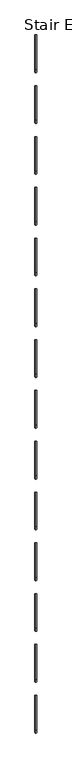
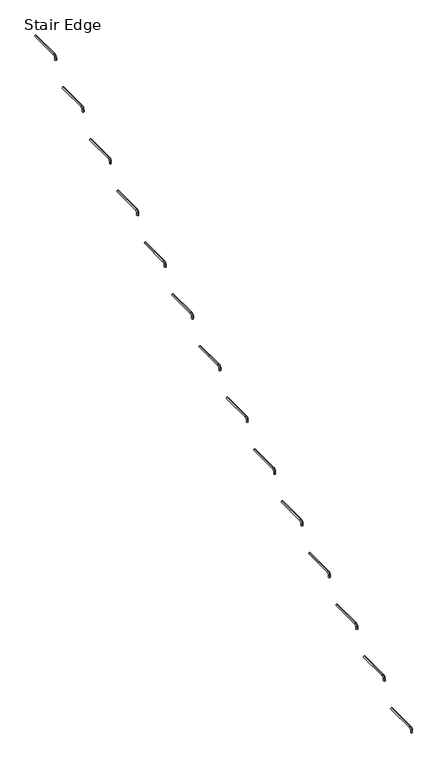
"""IFC4 building model written with IfcOpenShell, lengths in millimetres: railing geometry, Stair Edge."""

from ifc_helpers import new_model, si_unit, point, frame, origin, place, context, project, spatial, circle_curve, ellipse_curve, trimmed, source, transform, mapped, element, save
from ifc_brep_helpers import plane_surface, cylinder_surface, revolved_surface, advanced_brep


def stair_edge_cac31e52(model_context):
    return source(origin(), model_context, "Body", "AdvancedBrep", [
        advanced_brep(
        [(-2569.8305358, 2001.2483657, 2743.2), (-2569.8305358, 1991.7233657, 2743.2), (-2569.8305358, 2001.2483657, 2755.9), (-2569.8305358, 1991.7233657, 2755.9), (-2569.8305358, 2009.1858657, 2773.3625), (-2569.8305358, 2009.1858657, 2763.8375), (-2569.8305358, 2199.6858657, 2763.8375), (-2569.8305358, 2199.6858657, 2773.3625)],
        [
            (0, 1, circle_curve(frame((-2569.8305358, 1996.4858657, 2743.2), z_axis=(0.0, 0.0, -1.0), x_axis=(0.0, -1.0, 0.0)), 4.7625)),
            (1, 0, circle_curve(frame((-2569.8305358, 1996.4858657, 2743.2), z_axis=(0.0, 0.0, -1.0), x_axis=(0.0, -1.0, 0.0)), 4.7625)),
            (0, 2),
            (2, 3, circle_curve(frame((-2569.8305358, 1996.4858657, 2755.9), z_axis=(0.0, 0.0, -1.0), x_axis=(0.0, -1.0, 0.0)), 4.7625)),
            (3, 1),
            (3, 2, circle_curve(frame((-2569.8305358, 1996.4858657, 2755.9), z_axis=(0.0, 0.0, -1.0), x_axis=(0.0, -1.0, 0.0)), 4.7625)),
            (4, 3, circle_curve(frame((-2569.8305358, 2009.1858657, 2755.9), z_axis=(1.0, 0.0, 0.0), x_axis=(0.0, -1.0, 0.0)), 17.4625)),
            (2, 5, circle_curve(frame((-2569.8305358, 2009.1858657, 2755.9), z_axis=(-1.0, 0.0, 0.0), x_axis=(0.0, -1.0, 0.0)), 7.9375)),
            (5, 4, circle_curve(frame((-2569.8305358, 2009.1858657, 2768.6), z_axis=(0.0, -1.0, 0.0), x_axis=(0.0, 0.0, 1.0)), 4.7625)),
            (4, 5, circle_curve(frame((-2569.8305358, 2009.1858657, 2768.6), z_axis=(0.0, -1.0, 0.0), x_axis=(0.0, 0.0, 1.0)), 4.7625)),
            (6, 7, circle_curve(frame((-2569.8305358, 2199.6858657, 2768.6), z_axis=(0.0, 1.0, 0.0), x_axis=(0.0, 0.0, 1.0)), 4.7625)),
            (7, 6, circle_curve(frame((-2569.8305358, 2199.6858657, 2768.6), z_axis=(0.0, 1.0, 0.0), x_axis=(0.0, 0.0, 1.0)), 4.7625)),
            (5, 6),
            (7, 4),
        ],
        [
            plane_surface(frame((-2569.8305358, 1996.4858657, 2743.2), z_axis=(0.0, 0.0, -1.0), x_axis=(1.0, 0.0, 0.0))),
            cylinder_surface(frame((-2569.8305358, 1996.4858657, 2743.2), z_axis=(0.0, 0.0, -1.0), x_axis=(0.0, -1.0, 0.0)), 4.7625),
            revolved_surface(trimmed(ellipse_curve(frame((-2569.8305358, 1996.4858657, 2755.9), z_axis=(0.0, 0.0, -1.0), x_axis=(0.0, -1.0, 0.0)), 4.7625, 4.7625), [point((-2569.8305358, 2001.2483657, 2755.9))], [point((-2569.8305358, 1991.7233657, 2755.9))], True, "CARTESIAN"), (-2569.8305358, 2009.1858657, 2755.9), (-1.0, 0.0, 0.0)),
            revolved_surface(trimmed(ellipse_curve(frame((-2569.8305358, 1996.4858657, 2755.9), z_axis=(0.0, 0.0, -1.0), x_axis=(0.0, -1.0, 0.0)), 4.7625, 4.7625), [point((-2569.8305358, 1991.7233657, 2755.9))], [point((-2569.8305358, 2001.2483657, 2755.9))], True, "CARTESIAN"), (-2569.8305358, 2009.1858657, 2755.9), (-1.0, 0.0, 0.0)),
            plane_surface(frame((-2569.8305358, 2199.6858657, 2768.6), z_axis=(0.0, 1.0, 0.0), x_axis=(1.0, 0.0, 0.0))),
            cylinder_surface(frame((-2569.8305358, 2009.1858657, 2768.6), z_axis=(0.0, -1.0, 0.0), x_axis=(0.0, 0.0, 1.0)), 4.7625),
        ],
        [
            (0, [[1, 2]]),
            (1, [[-1, 3, 4, 5]]),
            (1, [[-2, -5, 6, -3]]),
            (2, [[7, -4, 8, 9]]),
            (3, [[-8, -6, -7, 10]]),
            (4, [[11, 12]]),
            (5, [[-9, 13, -12, 14]]),
            (5, [[-10, -14, -11, -13]]),
        ],
    ),
        advanced_brep(
        [(-2569.8305358, 1721.8483657, 2590.8), (-2569.8305358, 1712.3233657, 2590.8), (-2569.8305358, 1721.8483657, 2603.5), (-2569.8305358, 1712.3233657, 2603.5), (-2569.8305358, 1729.7858657, 2620.9625), (-2569.8305358, 1729.7858657, 2611.4375), (-2569.8305358, 1920.2858657, 2611.4375), (-2569.8305358, 1920.2858657, 2620.9625)],
        [
            (0, 1, circle_curve(frame((-2569.8305358, 1717.0858657, 2590.8), z_axis=(0.0, 0.0, -1.0), x_axis=(0.0, -1.0, 0.0)), 4.7625)),
            (1, 0, circle_curve(frame((-2569.8305358, 1717.0858657, 2590.8), z_axis=(0.0, 0.0, -1.0), x_axis=(0.0, -1.0, 0.0)), 4.7625)),
            (0, 2),
            (2, 3, circle_curve(frame((-2569.8305358, 1717.0858657, 2603.5), z_axis=(0.0, 0.0, -1.0), x_axis=(0.0, -1.0, 0.0)), 4.7625)),
            (3, 1),
            (3, 2, circle_curve(frame((-2569.8305358, 1717.0858657, 2603.5), z_axis=(0.0, 0.0, -1.0), x_axis=(0.0, -1.0, 0.0)), 4.7625)),
            (4, 3, circle_curve(frame((-2569.8305358, 1729.7858657, 2603.5), z_axis=(1.0, 0.0, 0.0), x_axis=(0.0, -1.0, 0.0)), 17.4625)),
            (2, 5, circle_curve(frame((-2569.8305358, 1729.7858657, 2603.5), z_axis=(-1.0, 0.0, 0.0), x_axis=(0.0, -1.0, 0.0)), 7.9375)),
            (5, 4, circle_curve(frame((-2569.8305358, 1729.7858657, 2616.2), z_axis=(0.0, -1.0, 0.0), x_axis=(0.0, 0.0, 1.0)), 4.7625)),
            (4, 5, circle_curve(frame((-2569.8305358, 1729.7858657, 2616.2), z_axis=(0.0, -1.0, 0.0), x_axis=(0.0, 0.0, 1.0)), 4.7625)),
            (6, 7, circle_curve(frame((-2569.8305358, 1920.2858657, 2616.2), z_axis=(0.0, 1.0, 0.0), x_axis=(0.0, 0.0, 1.0)), 4.7625)),
            (7, 6, circle_curve(frame((-2569.8305358, 1920.2858657, 2616.2), z_axis=(0.0, 1.0, 0.0), x_axis=(0.0, 0.0, 1.0)), 4.7625)),
            (5, 6),
            (7, 4),
        ],
        [
            plane_surface(frame((-2569.8305358, 1717.0858657, 2590.8), z_axis=(0.0, 0.0, -1.0), x_axis=(1.0, 0.0, 0.0))),
            cylinder_surface(frame((-2569.8305358, 1717.0858657, 2590.8), z_axis=(0.0, 0.0, -1.0), x_axis=(0.0, -1.0, 0.0)), 4.7625),
            revolved_surface(trimmed(ellipse_curve(frame((-2569.8305358, 1717.0858657, 2603.5), z_axis=(0.0, 0.0, -1.0), x_axis=(0.0, -1.0, 0.0)), 4.7625, 4.7625), [point((-2569.8305358, 1721.8483657, 2603.5))], [point((-2569.8305358, 1712.3233657, 2603.5))], True, "CARTESIAN"), (-2569.8305358, 1729.7858657, 2603.5), (-1.0, 0.0, 0.0)),
            revolved_surface(trimmed(ellipse_curve(frame((-2569.8305358, 1717.0858657, 2603.5), z_axis=(0.0, 0.0, -1.0), x_axis=(0.0, -1.0, 0.0)), 4.7625, 4.7625), [point((-2569.8305358, 1712.3233657, 2603.5))], [point((-2569.8305358, 1721.8483657, 2603.5))], True, "CARTESIAN"), (-2569.8305358, 1729.7858657, 2603.5), (-1.0, 0.0, 0.0)),
            plane_surface(frame((-2569.8305358, 1920.2858657, 2616.2), z_axis=(0.0, 1.0, 0.0), x_axis=(1.0, 0.0, 0.0))),
            cylinder_surface(frame((-2569.8305358, 1729.7858657, 2616.2), z_axis=(0.0, -1.0, 0.0), x_axis=(0.0, 0.0, 1.0)), 4.7625),
        ],
        [
            (0, [[1, 2]]),
            (1, [[-1, 3, 4, 5]]),
            (1, [[-2, -5, 6, -3]]),
            (2, [[7, -4, 8, 9]]),
            (3, [[-8, -6, -7, 10]]),
            (4, [[11, 12]]),
            (5, [[-9, 13, -12, 14]]),
            (5, [[-10, -14, -11, -13]]),
        ],
    ),
        advanced_brep(
        [(-2569.8305358, 1442.4483657, 2438.4), (-2569.8305358, 1432.9233657, 2438.4), (-2569.8305358, 1442.4483657, 2451.1), (-2569.8305358, 1432.9233657, 2451.1), (-2569.8305358, 1450.3858657, 2468.5625), (-2569.8305358, 1450.3858657, 2459.0375), (-2569.8305358, 1640.8858657, 2459.0375), (-2569.8305358, 1640.8858657, 2468.5625)],
        [
            (0, 1, circle_curve(frame((-2569.8305358, 1437.6858657, 2438.4), z_axis=(0.0, 0.0, -1.0), x_axis=(0.0, -1.0, 0.0)), 4.7625)),
            (1, 0, circle_curve(frame((-2569.8305358, 1437.6858657, 2438.4), z_axis=(0.0, 0.0, -1.0), x_axis=(0.0, -1.0, 0.0)), 4.7625)),
            (0, 2),
            (2, 3, circle_curve(frame((-2569.8305358, 1437.6858657, 2451.1), z_axis=(0.0, 0.0, -1.0), x_axis=(0.0, -1.0, 0.0)), 4.7625)),
            (3, 1),
            (3, 2, circle_curve(frame((-2569.8305358, 1437.6858657, 2451.1), z_axis=(0.0, 0.0, -1.0), x_axis=(0.0, -1.0, 0.0)), 4.7625)),
            (4, 3, circle_curve(frame((-2569.8305358, 1450.3858657, 2451.1), z_axis=(1.0, 0.0, 0.0), x_axis=(0.0, -1.0, 0.0)), 17.4625)),
            (2, 5, circle_curve(frame((-2569.8305358, 1450.3858657, 2451.1), z_axis=(-1.0, 0.0, 0.0), x_axis=(0.0, -1.0, 0.0)), 7.9375)),
            (5, 4, circle_curve(frame((-2569.8305358, 1450.3858657, 2463.8), z_axis=(0.0, -1.0, 0.0), x_axis=(0.0, 0.0, 1.0)), 4.7625)),
            (4, 5, circle_curve(frame((-2569.8305358, 1450.3858657, 2463.8), z_axis=(0.0, -1.0, 0.0), x_axis=(0.0, 0.0, 1.0)), 4.7625)),
            (6, 7, circle_curve(frame((-2569.8305358, 1640.8858657, 2463.8), z_axis=(0.0, 1.0, 0.0), x_axis=(0.0, 0.0, 1.0)), 4.7625)),
            (7, 6, circle_curve(frame((-2569.8305358, 1640.8858657, 2463.8), z_axis=(0.0, 1.0, 0.0), x_axis=(0.0, 0.0, 1.0)), 4.7625)),
            (5, 6),
            (7, 4),
        ],
        [
            plane_surface(frame((-2569.8305358, 1437.6858657, 2438.4), z_axis=(0.0, 0.0, -1.0), x_axis=(1.0, 0.0, 0.0))),
            cylinder_surface(frame((-2569.8305358, 1437.6858657, 2438.4), z_axis=(0.0, 0.0, -1.0), x_axis=(0.0, -1.0, 0.0)), 4.7625),
            revolved_surface(trimmed(ellipse_curve(frame((-2569.8305358, 1437.6858657, 2451.1), z_axis=(0.0, 0.0, -1.0), x_axis=(0.0, -1.0, 0.0)), 4.7625, 4.7625), [point((-2569.8305358, 1442.4483657, 2451.1))], [point((-2569.8305358, 1432.9233657, 2451.1))], True, "CARTESIAN"), (-2569.8305358, 1450.3858657, 2451.1), (-1.0, 0.0, 0.0)),
            revolved_surface(trimmed(ellipse_curve(frame((-2569.8305358, 1437.6858657, 2451.1), z_axis=(0.0, 0.0, -1.0), x_axis=(0.0, -1.0, 0.0)), 4.7625, 4.7625), [point((-2569.8305358, 1432.9233657, 2451.1))], [point((-2569.8305358, 1442.4483657, 2451.1))], True, "CARTESIAN"), (-2569.8305358, 1450.3858657, 2451.1), (-1.0, 0.0, 0.0)),
            plane_surface(frame((-2569.8305358, 1640.8858657, 2463.8), z_axis=(0.0, 1.0, 0.0), x_axis=(1.0, 0.0, 0.0))),
            cylinder_surface(frame((-2569.8305358, 1450.3858657, 2463.8), z_axis=(0.0, -1.0, 0.0), x_axis=(0.0, 0.0, 1.0)), 4.7625),
        ],
        [
            (0, [[1, 2]]),
            (1, [[-1, 3, 4, 5]]),
            (1, [[-2, -5, 6, -3]]),
            (2, [[7, -4, 8, 9]]),
            (3, [[-8, -6, -7, 10]]),
            (4, [[11, 12]]),
            (5, [[-9, 13, -12, 14]]),
            (5, [[-10, -14, -11, -13]]),
        ],
    ),
        advanced_brep(
        [(-2569.8305358, 1163.0483657, 2286.0), (-2569.8305358, 1153.5233657, 2286.0), (-2569.8305358, 1163.0483657, 2298.7), (-2569.8305358, 1153.5233657, 2298.7), (-2569.8305358, 1170.9858657, 2316.1625), (-2569.8305358, 1170.9858657, 2306.6375), (-2569.8305358, 1361.4858657, 2306.6375), (-2569.8305358, 1361.4858657, 2316.1625)],
        [
            (0, 1, circle_curve(frame((-2569.8305358, 1158.2858657, 2286.0), z_axis=(0.0, 0.0, -1.0), x_axis=(0.0, -1.0, 0.0)), 4.7625)),
            (1, 0, circle_curve(frame((-2569.8305358, 1158.2858657, 2286.0), z_axis=(0.0, 0.0, -1.0), x_axis=(0.0, -1.0, 0.0)), 4.7625)),
            (0, 2),
            (2, 3, circle_curve(frame((-2569.8305358, 1158.2858657, 2298.7), z_axis=(0.0, 0.0, -1.0), x_axis=(0.0, -1.0, 0.0)), 4.7625)),
            (3, 1),
            (3, 2, circle_curve(frame((-2569.8305358, 1158.2858657, 2298.7), z_axis=(0.0, 0.0, -1.0), x_axis=(0.0, -1.0, 0.0)), 4.7625)),
            (4, 3, circle_curve(frame((-2569.8305358, 1170.9858657, 2298.7), z_axis=(1.0, 0.0, 0.0), x_axis=(0.0, -1.0, 0.0)), 17.4625)),
            (2, 5, circle_curve(frame((-2569.8305358, 1170.9858657, 2298.7), z_axis=(-1.0, 0.0, 0.0), x_axis=(0.0, -1.0, 0.0)), 7.9375)),
            (5, 4, circle_curve(frame((-2569.8305358, 1170.9858657, 2311.4), z_axis=(0.0, -1.0, 0.0), x_axis=(0.0, 0.0, 1.0)), 4.7625)),
            (4, 5, circle_curve(frame((-2569.8305358, 1170.9858657, 2311.4), z_axis=(0.0, -1.0, 0.0), x_axis=(0.0, 0.0, 1.0)), 4.7625)),
            (6, 7, circle_curve(frame((-2569.8305358, 1361.4858657, 2311.4), z_axis=(0.0, 1.0, 0.0), x_axis=(0.0, 0.0, 1.0)), 4.7625)),
            (7, 6, circle_curve(frame((-2569.8305358, 1361.4858657, 2311.4), z_axis=(0.0, 1.0, 0.0), x_axis=(0.0, 0.0, 1.0)), 4.7625)),
            (5, 6),
            (7, 4),
        ],
        [
            plane_surface(frame((-2569.8305358, 1158.2858657, 2286.0), z_axis=(0.0, 0.0, -1.0), x_axis=(1.0, 0.0, 0.0))),
            cylinder_surface(frame((-2569.8305358, 1158.2858657, 2286.0), z_axis=(0.0, 0.0, -1.0), x_axis=(0.0, -1.0, 0.0)), 4.7625),
            revolved_surface(trimmed(ellipse_curve(frame((-2569.8305358, 1158.2858657, 2298.7), z_axis=(0.0, 0.0, -1.0), x_axis=(0.0, -1.0, 0.0)), 4.7625, 4.7625), [point((-2569.8305358, 1163.0483657, 2298.7))], [point((-2569.8305358, 1153.5233657, 2298.7))], True, "CARTESIAN"), (-2569.8305358, 1170.9858657, 2298.7), (-1.0, 0.0, 0.0)),
            revolved_surface(trimmed(ellipse_curve(frame((-2569.8305358, 1158.2858657, 2298.7), z_axis=(0.0, 0.0, -1.0), x_axis=(0.0, -1.0, 0.0)), 4.7625, 4.7625), [point((-2569.8305358, 1153.5233657, 2298.7))], [point((-2569.8305358, 1163.0483657, 2298.7))], True, "CARTESIAN"), (-2569.8305358, 1170.9858657, 2298.7), (-1.0, 0.0, 0.0)),
            plane_surface(frame((-2569.8305358, 1361.4858657, 2311.4), z_axis=(0.0, 1.0, 0.0), x_axis=(1.0, 0.0, 0.0))),
            cylinder_surface(frame((-2569.8305358, 1170.9858657, 2311.4), z_axis=(0.0, -1.0, 0.0), x_axis=(0.0, 0.0, 1.0)), 4.7625),
        ],
        [
            (0, [[1, 2]]),
            (1, [[-1, 3, 4, 5]]),
            (1, [[-2, -5, 6, -3]]),
            (2, [[7, -4, 8, 9]]),
            (3, [[-8, -6, -7, 10]]),
            (4, [[11, 12]]),
            (5, [[-9, 13, -12, 14]]),
            (5, [[-10, -14, -11, -13]]),
        ],
    ),
        advanced_brep(
        [(-2569.8305358, 883.6483657, 2133.6), (-2569.8305358, 874.1233657, 2133.6), (-2569.8305358, 883.6483657, 2146.3), (-2569.8305358, 874.1233657, 2146.3), (-2569.8305358, 891.5858657, 2163.7625), (-2569.8305358, 891.5858657, 2154.2375), (-2569.8305358, 1082.0858657, 2154.2375), (-2569.8305358, 1082.0858657, 2163.7625)],
        [
            (0, 1, circle_curve(frame((-2569.8305358, 878.8858657, 2133.6), z_axis=(0.0, 0.0, -1.0), x_axis=(0.0, -1.0, 0.0)), 4.7625)),
            (1, 0, circle_curve(frame((-2569.8305358, 878.8858657, 2133.6), z_axis=(0.0, 0.0, -1.0), x_axis=(0.0, -1.0, 0.0)), 4.7625)),
            (0, 2),
            (2, 3, circle_curve(frame((-2569.8305358, 878.8858657, 2146.3), z_axis=(0.0, 0.0, -1.0), x_axis=(0.0, -1.0, 0.0)), 4.7625)),
            (3, 1),
            (3, 2, circle_curve(frame((-2569.8305358, 878.8858657, 2146.3), z_axis=(0.0, 0.0, -1.0), x_axis=(0.0, -1.0, 0.0)), 4.7625)),
            (4, 3, circle_curve(frame((-2569.8305358, 891.5858657, 2146.3), z_axis=(1.0, 0.0, 0.0), x_axis=(0.0, -1.0, 0.0)), 17.4625)),
            (2, 5, circle_curve(frame((-2569.8305358, 891.5858657, 2146.3), z_axis=(-1.0, 0.0, 0.0), x_axis=(0.0, -1.0, 0.0)), 7.9375)),
            (5, 4, circle_curve(frame((-2569.8305358, 891.5858657, 2159.0), z_axis=(0.0, -1.0, 0.0), x_axis=(0.0, 0.0, 1.0)), 4.7625)),
            (4, 5, circle_curve(frame((-2569.8305358, 891.5858657, 2159.0), z_axis=(0.0, -1.0, 0.0), x_axis=(0.0, 0.0, 1.0)), 4.7625)),
            (6, 7, circle_curve(frame((-2569.8305358, 1082.0858657, 2159.0), z_axis=(0.0, 1.0, 0.0), x_axis=(0.0, 0.0, 1.0)), 4.7625)),
            (7, 6, circle_curve(frame((-2569.8305358, 1082.0858657, 2159.0), z_axis=(0.0, 1.0, 0.0), x_axis=(0.0, 0.0, 1.0)), 4.7625)),
            (5, 6),
            (7, 4),
        ],
        [
            plane_surface(frame((-2569.8305358, 878.8858657, 2133.6), z_axis=(0.0, 0.0, -1.0), x_axis=(1.0, 0.0, 0.0))),
            cylinder_surface(frame((-2569.8305358, 878.8858657, 2133.6), z_axis=(0.0, 0.0, -1.0), x_axis=(0.0, -1.0, 0.0)), 4.7625),
            revolved_surface(trimmed(ellipse_curve(frame((-2569.8305358, 878.8858657, 2146.3), z_axis=(0.0, 0.0, -1.0), x_axis=(0.0, -1.0, 0.0)), 4.7625, 4.7625), [point((-2569.8305358, 883.6483657, 2146.3))], [point((-2569.8305358, 874.1233657, 2146.3))], True, "CARTESIAN"), (-2569.8305358, 891.5858657, 2146.3), (-1.0, 0.0, 0.0)),
            revolved_surface(trimmed(ellipse_curve(frame((-2569.8305358, 878.8858657, 2146.3), z_axis=(0.0, 0.0, -1.0), x_axis=(0.0, -1.0, 0.0)), 4.7625, 4.7625), [point((-2569.8305358, 874.1233657, 2146.3))], [point((-2569.8305358, 883.6483657, 2146.3))], True, "CARTESIAN"), (-2569.8305358, 891.5858657, 2146.3), (-1.0, 0.0, 0.0)),
            plane_surface(frame((-2569.8305358, 1082.0858657, 2159.0), z_axis=(0.0, 1.0, 0.0), x_axis=(1.0, 0.0, 0.0))),
            cylinder_surface(frame((-2569.8305358, 891.5858657, 2159.0), z_axis=(0.0, -1.0, 0.0), x_axis=(0.0, 0.0, 1.0)), 4.7625),
        ],
        [
            (0, [[1, 2]]),
            (1, [[-1, 3, 4, 5]]),
            (1, [[-2, -5, 6, -3]]),
            (2, [[7, -4, 8, 9]]),
            (3, [[-8, -6, -7, 10]]),
            (4, [[11, 12]]),
            (5, [[-9, 13, -12, 14]]),
            (5, [[-10, -14, -11, -13]]),
        ],
    ),
        advanced_brep(
        [(-2569.8305358, 604.2483657, 1981.2), (-2569.8305358, 594.7233657, 1981.2), (-2569.8305358, 604.2483657, 1993.9), (-2569.8305358, 594.7233657, 1993.9), (-2569.8305358, 612.1858657, 2011.3625), (-2569.8305358, 612.1858657, 2001.8375), (-2569.8305358, 802.6858657, 2001.8375), (-2569.8305358, 802.6858657, 2011.3625)],
        [
            (0, 1, circle_curve(frame((-2569.8305358, 599.4858657, 1981.2), z_axis=(0.0, 0.0, -1.0), x_axis=(0.0, -1.0, 0.0)), 4.7625)),
            (1, 0, circle_curve(frame((-2569.8305358, 599.4858657, 1981.2), z_axis=(0.0, 0.0, -1.0), x_axis=(0.0, -1.0, 0.0)), 4.7625)),
            (0, 2),
            (2, 3, circle_curve(frame((-2569.8305358, 599.4858657, 1993.9), z_axis=(0.0, 0.0, -1.0), x_axis=(0.0, -1.0, 0.0)), 4.7625)),
            (3, 1),
            (3, 2, circle_curve(frame((-2569.8305358, 599.4858657, 1993.9), z_axis=(0.0, 0.0, -1.0), x_axis=(0.0, -1.0, 0.0)), 4.7625)),
            (4, 3, circle_curve(frame((-2569.8305358, 612.1858657, 1993.9), z_axis=(1.0, 0.0, 0.0), x_axis=(0.0, -1.0, 0.0)), 17.4625)),
            (2, 5, circle_curve(frame((-2569.8305358, 612.1858657, 1993.9), z_axis=(-1.0, 0.0, 0.0), x_axis=(0.0, -1.0, 0.0)), 7.9375)),
            (5, 4, circle_curve(frame((-2569.8305358, 612.1858657, 2006.6), z_axis=(0.0, -1.0, 0.0), x_axis=(0.0, 0.0, 1.0)), 4.7625)),
            (4, 5, circle_curve(frame((-2569.8305358, 612.1858657, 2006.6), z_axis=(0.0, -1.0, 0.0), x_axis=(0.0, 0.0, 1.0)), 4.7625)),
            (6, 7, circle_curve(frame((-2569.8305358, 802.6858657, 2006.6), z_axis=(0.0, 1.0, 0.0), x_axis=(0.0, 0.0, 1.0)), 4.7625)),
            (7, 6, circle_curve(frame((-2569.8305358, 802.6858657, 2006.6), z_axis=(0.0, 1.0, 0.0), x_axis=(0.0, 0.0, 1.0)), 4.7625)),
            (5, 6),
            (7, 4),
        ],
        [
            plane_surface(frame((-2569.8305358, 599.4858657, 1981.2), z_axis=(0.0, 0.0, -1.0), x_axis=(1.0, 0.0, 0.0))),
            cylinder_surface(frame((-2569.8305358, 599.4858657, 1981.2), z_axis=(0.0, 0.0, -1.0), x_axis=(0.0, -1.0, 0.0)), 4.7625),
            revolved_surface(trimmed(ellipse_curve(frame((-2569.8305358, 599.4858657, 1993.9), z_axis=(0.0, 0.0, -1.0), x_axis=(0.0, -1.0, 0.0)), 4.7625, 4.7625), [point((-2569.8305358, 604.2483657, 1993.9))], [point((-2569.8305358, 594.7233657, 1993.9))], True, "CARTESIAN"), (-2569.8305358, 612.1858657, 1993.9), (-1.0, 0.0, 0.0)),
            revolved_surface(trimmed(ellipse_curve(frame((-2569.8305358, 599.4858657, 1993.9), z_axis=(0.0, 0.0, -1.0), x_axis=(0.0, -1.0, 0.0)), 4.7625, 4.7625), [point((-2569.8305358, 594.7233657, 1993.9))], [point((-2569.8305358, 604.2483657, 1993.9))], True, "CARTESIAN"), (-2569.8305358, 612.1858657, 1993.9), (-1.0, 0.0, 0.0)),
            plane_surface(frame((-2569.8305358, 802.6858657, 2006.6), z_axis=(0.0, 1.0, 0.0), x_axis=(1.0, 0.0, 0.0))),
            cylinder_surface(frame((-2569.8305358, 612.1858657, 2006.6), z_axis=(0.0, -1.0, 0.0), x_axis=(0.0, 0.0, 1.0)), 4.7625),
        ],
        [
            (0, [[1, 2]]),
            (1, [[-1, 3, 4, 5]]),
            (1, [[-2, -5, 6, -3]]),
            (2, [[7, -4, 8, 9]]),
            (3, [[-8, -6, -7, 10]]),
            (4, [[11, 12]]),
            (5, [[-9, 13, -12, 14]]),
            (5, [[-10, -14, -11, -13]]),
        ],
    ),
        advanced_brep(
        [(-2569.8305358, 324.8483657, 1828.8), (-2569.8305358, 315.3233657, 1828.8), (-2569.8305358, 324.8483657, 1841.5), (-2569.8305358, 315.3233657, 1841.5), (-2569.8305358, 332.7858657, 1858.9625), (-2569.8305358, 332.7858657, 1849.4375), (-2569.8305358, 523.2858657, 1849.4375), (-2569.8305358, 523.2858657, 1858.9625)],
        [
            (0, 1, circle_curve(frame((-2569.8305358, 320.0858657, 1828.8), z_axis=(0.0, 0.0, -1.0), x_axis=(0.0, -1.0, 0.0)), 4.7625)),
            (1, 0, circle_curve(frame((-2569.8305358, 320.0858657, 1828.8), z_axis=(0.0, 0.0, -1.0), x_axis=(0.0, -1.0, 0.0)), 4.7625)),
            (0, 2),
            (2, 3, circle_curve(frame((-2569.8305358, 320.0858657, 1841.5), z_axis=(0.0, 0.0, -1.0), x_axis=(0.0, -1.0, 0.0)), 4.7625)),
            (3, 1),
            (3, 2, circle_curve(frame((-2569.8305358, 320.0858657, 1841.5), z_axis=(0.0, 0.0, -1.0), x_axis=(0.0, -1.0, 0.0)), 4.7625)),
            (4, 3, circle_curve(frame((-2569.8305358, 332.7858657, 1841.5), z_axis=(1.0, 0.0, 0.0), x_axis=(0.0, -1.0, 0.0)), 17.4625)),
            (2, 5, circle_curve(frame((-2569.8305358, 332.7858657, 1841.5), z_axis=(-1.0, 0.0, 0.0), x_axis=(0.0, -1.0, 0.0)), 7.9375)),
            (5, 4, circle_curve(frame((-2569.8305358, 332.7858657, 1854.2), z_axis=(0.0, -1.0, 0.0), x_axis=(0.0, 0.0, 1.0)), 4.7625)),
            (4, 5, circle_curve(frame((-2569.8305358, 332.7858657, 1854.2), z_axis=(0.0, -1.0, 0.0), x_axis=(0.0, 0.0, 1.0)), 4.7625)),
            (6, 7, circle_curve(frame((-2569.8305358, 523.2858657, 1854.2), z_axis=(0.0, 1.0, 0.0), x_axis=(0.0, 0.0, 1.0)), 4.7625)),
            (7, 6, circle_curve(frame((-2569.8305358, 523.2858657, 1854.2), z_axis=(0.0, 1.0, 0.0), x_axis=(0.0, 0.0, 1.0)), 4.7625)),
            (5, 6),
            (7, 4),
        ],
        [
            plane_surface(frame((-2569.8305358, 320.0858657, 1828.8), z_axis=(0.0, 0.0, -1.0), x_axis=(1.0, 0.0, 0.0))),
            cylinder_surface(frame((-2569.8305358, 320.0858657, 1828.8), z_axis=(0.0, 0.0, -1.0), x_axis=(0.0, -1.0, 0.0)), 4.7625),
            revolved_surface(trimmed(ellipse_curve(frame((-2569.8305358, 320.0858657, 1841.5), z_axis=(0.0, 0.0, -1.0), x_axis=(0.0, -1.0, 0.0)), 4.7625, 4.7625), [point((-2569.8305358, 324.8483657, 1841.5))], [point((-2569.8305358, 315.3233657, 1841.5))], True, "CARTESIAN"), (-2569.8305358, 332.7858657, 1841.5), (-1.0, 0.0, 0.0)),
            revolved_surface(trimmed(ellipse_curve(frame((-2569.8305358, 320.0858657, 1841.5), z_axis=(0.0, 0.0, -1.0), x_axis=(0.0, -1.0, 0.0)), 4.7625, 4.7625), [point((-2569.8305358, 315.3233657, 1841.5))], [point((-2569.8305358, 324.8483657, 1841.5))], True, "CARTESIAN"), (-2569.8305358, 332.7858657, 1841.5), (-1.0, 0.0, 0.0)),
            plane_surface(frame((-2569.8305358, 523.2858657, 1854.2), z_axis=(0.0, 1.0, 0.0), x_axis=(1.0, 0.0, 0.0))),
            cylinder_surface(frame((-2569.8305358, 332.7858657, 1854.2), z_axis=(0.0, -1.0, 0.0), x_axis=(0.0, 0.0, 1.0)), 4.7625),
        ],
        [
            (0, [[1, 2]]),
            (1, [[-1, 3, 4, 5]]),
            (1, [[-2, -5, 6, -3]]),
            (2, [[7, -4, 8, 9]]),
            (3, [[-8, -6, -7, 10]]),
            (4, [[11, 12]]),
            (5, [[-9, 13, -12, 14]]),
            (5, [[-10, -14, -11, -13]]),
        ],
    ),
        advanced_brep(
        [(-2569.8305358, 45.4483657, 1676.4), (-2569.8305358, 35.9233657, 1676.4), (-2569.8305358, 45.4483657, 1689.1), (-2569.8305358, 35.9233657, 1689.1), (-2569.8305358, 53.3858657, 1706.5625), (-2569.8305358, 53.3858657, 1697.0375), (-2569.8305358, 243.8858657, 1697.0375), (-2569.8305358, 243.8858657, 1706.5625)],
        [
            (0, 1, circle_curve(frame((-2569.8305358, 40.6858657, 1676.4), z_axis=(0.0, 0.0, -1.0), x_axis=(0.0, -1.0, 0.0)), 4.7625)),
            (1, 0, circle_curve(frame((-2569.8305358, 40.6858657, 1676.4), z_axis=(0.0, 0.0, -1.0), x_axis=(0.0, -1.0, 0.0)), 4.7625)),
            (0, 2),
            (2, 3, circle_curve(frame((-2569.8305358, 40.6858657, 1689.1), z_axis=(0.0, 0.0, -1.0), x_axis=(0.0, -1.0, 0.0)), 4.7625)),
            (3, 1),
            (3, 2, circle_curve(frame((-2569.8305358, 40.6858657, 1689.1), z_axis=(0.0, 0.0, -1.0), x_axis=(0.0, -1.0, 0.0)), 4.7625)),
            (4, 3, circle_curve(frame((-2569.8305358, 53.3858657, 1689.1), z_axis=(1.0, 0.0, 0.0), x_axis=(0.0, -1.0, 0.0)), 17.4625)),
            (2, 5, circle_curve(frame((-2569.8305358, 53.3858657, 1689.1), z_axis=(-1.0, 0.0, 0.0), x_axis=(0.0, -1.0, 0.0)), 7.9375)),
            (5, 4, circle_curve(frame((-2569.8305358, 53.3858657, 1701.8), z_axis=(0.0, -1.0, 0.0), x_axis=(0.0, 0.0, 1.0)), 4.7625)),
            (4, 5, circle_curve(frame((-2569.8305358, 53.3858657, 1701.8), z_axis=(0.0, -1.0, 0.0), x_axis=(0.0, 0.0, 1.0)), 4.7625)),
            (6, 7, circle_curve(frame((-2569.8305358, 243.8858657, 1701.8), z_axis=(0.0, 1.0, 0.0), x_axis=(0.0, 0.0, 1.0)), 4.7625)),
            (7, 6, circle_curve(frame((-2569.8305358, 243.8858657, 1701.8), z_axis=(0.0, 1.0, 0.0), x_axis=(0.0, 0.0, 1.0)), 4.7625)),
            (5, 6),
            (7, 4),
        ],
        [
            plane_surface(frame((-2569.8305358, 40.6858657, 1676.4), z_axis=(0.0, 0.0, -1.0), x_axis=(1.0, 0.0, 0.0))),
            cylinder_surface(frame((-2569.8305358, 40.6858657, 1676.4), z_axis=(0.0, 0.0, -1.0), x_axis=(0.0, -1.0, 0.0)), 4.7625),
            revolved_surface(trimmed(ellipse_curve(frame((-2569.8305358, 40.6858657, 1689.1), z_axis=(0.0, 0.0, -1.0), x_axis=(0.0, -1.0, 0.0)), 4.7625, 4.7625), [point((-2569.8305358, 45.4483657, 1689.1))], [point((-2569.8305358, 35.9233657, 1689.1))], True, "CARTESIAN"), (-2569.8305358, 53.3858657, 1689.1), (-1.0, 0.0, 0.0)),
            revolved_surface(trimmed(ellipse_curve(frame((-2569.8305358, 40.6858657, 1689.1), z_axis=(0.0, 0.0, -1.0), x_axis=(0.0, -1.0, 0.0)), 4.7625, 4.7625), [point((-2569.8305358, 35.9233657, 1689.1))], [point((-2569.8305358, 45.4483657, 1689.1))], True, "CARTESIAN"), (-2569.8305358, 53.3858657, 1689.1), (-1.0, 0.0, 0.0)),
            plane_surface(frame((-2569.8305358, 243.8858657, 1701.8), z_axis=(0.0, 1.0, 0.0), x_axis=(1.0, 0.0, 0.0))),
            cylinder_surface(frame((-2569.8305358, 53.3858657, 1701.8), z_axis=(0.0, -1.0, 0.0), x_axis=(0.0, 0.0, 1.0)), 4.7625),
        ],
        [
            (0, [[1, 2]]),
            (1, [[-1, 3, 4, 5]]),
            (1, [[-2, -5, 6, -3]]),
            (2, [[7, -4, 8, 9]]),
            (3, [[-8, -6, -7, 10]]),
            (4, [[11, 12]]),
            (5, [[-9, 13, -12, 14]]),
            (5, [[-10, -14, -11, -13]]),
        ],
    ),
        advanced_brep(
        [(-2569.8305358, -233.9516343, 1524.0), (-2569.8305358, -243.4766343, 1524.0), (-2569.8305358, -233.9516343, 1536.7), (-2569.8305358, -243.4766343, 1536.7), (-2569.8305358, -226.0141343, 1554.1625), (-2569.8305358, -226.0141343, 1544.6375), (-2569.8305358, -35.5141343, 1544.6375), (-2569.8305358, -35.5141343, 1554.1625)],
        [
            (0, 1, circle_curve(frame((-2569.8305358, -238.7141343, 1524.0), z_axis=(0.0, 0.0, -1.0), x_axis=(0.0, -1.0, 0.0)), 4.7625)),
            (1, 0, circle_curve(frame((-2569.8305358, -238.7141343, 1524.0), z_axis=(0.0, 0.0, -1.0), x_axis=(0.0, -1.0, 0.0)), 4.7625)),
            (0, 2),
            (2, 3, circle_curve(frame((-2569.8305358, -238.7141343, 1536.7), z_axis=(0.0, 0.0, -1.0), x_axis=(0.0, -1.0, 0.0)), 4.7625)),
            (3, 1),
            (3, 2, circle_curve(frame((-2569.8305358, -238.7141343, 1536.7), z_axis=(0.0, 0.0, -1.0), x_axis=(0.0, -1.0, 0.0)), 4.7625)),
            (4, 3, circle_curve(frame((-2569.8305358, -226.0141343, 1536.7), z_axis=(1.0, 0.0, 0.0), x_axis=(0.0, -1.0, 0.0)), 17.4625)),
            (2, 5, circle_curve(frame((-2569.8305358, -226.0141343, 1536.7), z_axis=(-1.0, 0.0, 0.0), x_axis=(0.0, -1.0, 0.0)), 7.9375)),
            (5, 4, circle_curve(frame((-2569.8305358, -226.0141343, 1549.4), z_axis=(0.0, -1.0, 0.0), x_axis=(0.0, 0.0, 1.0)), 4.7625)),
            (4, 5, circle_curve(frame((-2569.8305358, -226.0141343, 1549.4), z_axis=(0.0, -1.0, 0.0), x_axis=(0.0, 0.0, 1.0)), 4.7625)),
            (6, 7, circle_curve(frame((-2569.8305358, -35.5141343, 1549.4), z_axis=(0.0, 1.0, 0.0), x_axis=(0.0, 0.0, 1.0)), 4.7625)),
            (7, 6, circle_curve(frame((-2569.8305358, -35.5141343, 1549.4), z_axis=(0.0, 1.0, 0.0), x_axis=(0.0, 0.0, 1.0)), 4.7625)),
            (5, 6),
            (7, 4),
        ],
        [
            plane_surface(frame((-2569.8305358, -238.7141343, 1524.0), z_axis=(0.0, 0.0, -1.0), x_axis=(1.0, 0.0, 0.0))),
            cylinder_surface(frame((-2569.8305358, -238.7141343, 1524.0), z_axis=(0.0, 0.0, -1.0), x_axis=(0.0, -1.0, 0.0)), 4.7625),
            revolved_surface(trimmed(ellipse_curve(frame((-2569.8305358, -238.7141343, 1536.7), z_axis=(0.0, 0.0, -1.0), x_axis=(0.0, -1.0, 0.0)), 4.7625, 4.7625), [point((-2569.8305358, -233.9516343, 1536.7))], [point((-2569.8305358, -243.4766343, 1536.7))], True, "CARTESIAN"), (-2569.8305358, -226.0141343, 1536.7), (-1.0, 0.0, 0.0)),
            revolved_surface(trimmed(ellipse_curve(frame((-2569.8305358, -238.7141343, 1536.7), z_axis=(0.0, 0.0, -1.0), x_axis=(0.0, -1.0, 0.0)), 4.7625, 4.7625), [point((-2569.8305358, -243.4766343, 1536.7))], [point((-2569.8305358, -233.9516343, 1536.7))], True, "CARTESIAN"), (-2569.8305358, -226.0141343, 1536.7), (-1.0, 0.0, 0.0)),
            plane_surface(frame((-2569.8305358, -35.5141343, 1549.4), z_axis=(0.0, 1.0, 0.0), x_axis=(1.0, 0.0, 0.0))),
            cylinder_surface(frame((-2569.8305358, -226.0141343, 1549.4), z_axis=(0.0, -1.0, 0.0), x_axis=(0.0, 0.0, 1.0)), 4.7625),
        ],
        [
            (0, [[1, 2]]),
            (1, [[-1, 3, 4, 5]]),
            (1, [[-2, -5, 6, -3]]),
            (2, [[7, -4, 8, 9]]),
            (3, [[-8, -6, -7, 10]]),
            (4, [[11, 12]]),
            (5, [[-9, 13, -12, 14]]),
            (5, [[-10, -14, -11, -13]]),
        ],
    ),
        advanced_brep(
        [(-2569.8305358, -513.3516343, 1371.6), (-2569.8305358, -522.8766343, 1371.6), (-2569.8305358, -513.3516343, 1384.3), (-2569.8305358, -522.8766343, 1384.3), (-2569.8305358, -505.4141343, 1401.7625), (-2569.8305358, -505.4141343, 1392.2375), (-2569.8305358, -314.9141343, 1392.2375), (-2569.8305358, -314.9141343, 1401.7625)],
        [
            (0, 1, circle_curve(frame((-2569.8305358, -518.1141343, 1371.6), z_axis=(0.0, 0.0, -1.0), x_axis=(0.0, -1.0, 0.0)), 4.7625)),
            (1, 0, circle_curve(frame((-2569.8305358, -518.1141343, 1371.6), z_axis=(0.0, 0.0, -1.0), x_axis=(0.0, -1.0, 0.0)), 4.7625)),
            (0, 2),
            (2, 3, circle_curve(frame((-2569.8305358, -518.1141343, 1384.3), z_axis=(0.0, 0.0, -1.0), x_axis=(0.0, -1.0, 0.0)), 4.7625)),
            (3, 1),
            (3, 2, circle_curve(frame((-2569.8305358, -518.1141343, 1384.3), z_axis=(0.0, 0.0, -1.0), x_axis=(0.0, -1.0, 0.0)), 4.7625)),
            (4, 3, circle_curve(frame((-2569.8305358, -505.4141343, 1384.3), z_axis=(1.0, 0.0, 0.0), x_axis=(0.0, -1.0, 0.0)), 17.4625)),
            (2, 5, circle_curve(frame((-2569.8305358, -505.4141343, 1384.3), z_axis=(-1.0, 0.0, 0.0), x_axis=(0.0, -1.0, 0.0)), 7.9375)),
            (5, 4, circle_curve(frame((-2569.8305358, -505.4141343, 1397.0), z_axis=(0.0, -1.0, 0.0), x_axis=(0.0, 0.0, 1.0)), 4.7625)),
            (4, 5, circle_curve(frame((-2569.8305358, -505.4141343, 1397.0), z_axis=(0.0, -1.0, 0.0), x_axis=(0.0, 0.0, 1.0)), 4.7625)),
            (6, 7, circle_curve(frame((-2569.8305358, -314.9141343, 1397.0), z_axis=(0.0, 1.0, 0.0), x_axis=(0.0, 0.0, 1.0)), 4.7625)),
            (7, 6, circle_curve(frame((-2569.8305358, -314.9141343, 1397.0), z_axis=(0.0, 1.0, 0.0), x_axis=(0.0, 0.0, 1.0)), 4.7625)),
            (5, 6),
            (7, 4),
        ],
        [
            plane_surface(frame((-2569.8305358, -518.1141343, 1371.6), z_axis=(0.0, 0.0, -1.0), x_axis=(1.0, 0.0, 0.0))),
            cylinder_surface(frame((-2569.8305358, -518.1141343, 1371.6), z_axis=(0.0, 0.0, -1.0), x_axis=(0.0, -1.0, 0.0)), 4.7625),
            revolved_surface(trimmed(ellipse_curve(frame((-2569.8305358, -518.1141343, 1384.3), z_axis=(0.0, 0.0, -1.0), x_axis=(0.0, -1.0, 0.0)), 4.7625, 4.7625), [point((-2569.8305358, -513.3516343, 1384.3))], [point((-2569.8305358, -522.8766343, 1384.3))], True, "CARTESIAN"), (-2569.8305358, -505.4141343, 1384.3), (-1.0, 0.0, 0.0)),
            revolved_surface(trimmed(ellipse_curve(frame((-2569.8305358, -518.1141343, 1384.3), z_axis=(0.0, 0.0, -1.0), x_axis=(0.0, -1.0, 0.0)), 4.7625, 4.7625), [point((-2569.8305358, -522.8766343, 1384.3))], [point((-2569.8305358, -513.3516343, 1384.3))], True, "CARTESIAN"), (-2569.8305358, -505.4141343, 1384.3), (-1.0, 0.0, 0.0)),
            plane_surface(frame((-2569.8305358, -314.9141343, 1397.0), z_axis=(0.0, 1.0, 0.0), x_axis=(1.0, 0.0, 0.0))),
            cylinder_surface(frame((-2569.8305358, -505.4141343, 1397.0), z_axis=(0.0, -1.0, 0.0), x_axis=(0.0, 0.0, 1.0)), 4.7625),
        ],
        [
            (0, [[1, 2]]),
            (1, [[-1, 3, 4, 5]]),
            (1, [[-2, -5, 6, -3]]),
            (2, [[7, -4, 8, 9]]),
            (3, [[-8, -6, -7, 10]]),
            (4, [[11, 12]]),
            (5, [[-9, 13, -12, 14]]),
            (5, [[-10, -14, -11, -13]]),
        ],
    ),
        advanced_brep(
        [(-2569.8305358, -792.7516343, 1219.2), (-2569.8305358, -802.2766343, 1219.2), (-2569.8305358, -792.7516343, 1231.9), (-2569.8305358, -802.2766343, 1231.9), (-2569.8305358, -784.8141343, 1249.3625), (-2569.8305358, -784.8141343, 1239.8375), (-2569.8305358, -594.3141343, 1239.8375), (-2569.8305358, -594.3141343, 1249.3625)],
        [
            (0, 1, circle_curve(frame((-2569.8305358, -797.5141343, 1219.2), z_axis=(0.0, 0.0, -1.0), x_axis=(0.0, -1.0, 0.0)), 4.7625)),
            (1, 0, circle_curve(frame((-2569.8305358, -797.5141343, 1219.2), z_axis=(0.0, 0.0, -1.0), x_axis=(0.0, -1.0, 0.0)), 4.7625)),
            (0, 2),
            (2, 3, circle_curve(frame((-2569.8305358, -797.5141343, 1231.9), z_axis=(0.0, 0.0, -1.0), x_axis=(0.0, -1.0, 0.0)), 4.7625)),
            (3, 1),
            (3, 2, circle_curve(frame((-2569.8305358, -797.5141343, 1231.9), z_axis=(0.0, 0.0, -1.0), x_axis=(0.0, -1.0, 0.0)), 4.7625)),
            (4, 3, circle_curve(frame((-2569.8305358, -784.8141343, 1231.9), z_axis=(1.0, 0.0, 0.0), x_axis=(0.0, -1.0, 0.0)), 17.4625)),
            (2, 5, circle_curve(frame((-2569.8305358, -784.8141343, 1231.9), z_axis=(-1.0, 0.0, 0.0), x_axis=(0.0, -1.0, 0.0)), 7.9375)),
            (5, 4, circle_curve(frame((-2569.8305358, -784.8141343, 1244.6), z_axis=(0.0, -1.0, 0.0), x_axis=(0.0, 0.0, 1.0)), 4.7625)),
            (4, 5, circle_curve(frame((-2569.8305358, -784.8141343, 1244.6), z_axis=(0.0, -1.0, 0.0), x_axis=(0.0, 0.0, 1.0)), 4.7625)),
            (6, 7, circle_curve(frame((-2569.8305358, -594.3141343, 1244.6), z_axis=(0.0, 1.0, 0.0), x_axis=(0.0, 0.0, 1.0)), 4.7625)),
            (7, 6, circle_curve(frame((-2569.8305358, -594.3141343, 1244.6), z_axis=(0.0, 1.0, 0.0), x_axis=(0.0, 0.0, 1.0)), 4.7625)),
            (5, 6),
            (7, 4),
        ],
        [
            plane_surface(frame((-2569.8305358, -797.5141343, 1219.2), z_axis=(0.0, 0.0, -1.0), x_axis=(1.0, 0.0, 0.0))),
            cylinder_surface(frame((-2569.8305358, -797.5141343, 1219.2), z_axis=(0.0, 0.0, -1.0), x_axis=(0.0, -1.0, 0.0)), 4.7625),
            revolved_surface(trimmed(ellipse_curve(frame((-2569.8305358, -797.5141343, 1231.9), z_axis=(0.0, 0.0, -1.0), x_axis=(0.0, -1.0, 0.0)), 4.7625, 4.7625), [point((-2569.8305358, -792.7516343, 1231.9))], [point((-2569.8305358, -802.2766343, 1231.9))], True, "CARTESIAN"), (-2569.8305358, -784.8141343, 1231.9), (-1.0, 0.0, 0.0)),
            revolved_surface(trimmed(ellipse_curve(frame((-2569.8305358, -797.5141343, 1231.9), z_axis=(0.0, 0.0, -1.0), x_axis=(0.0, -1.0, 0.0)), 4.7625, 4.7625), [point((-2569.8305358, -802.2766343, 1231.9))], [point((-2569.8305358, -792.7516343, 1231.9))], True, "CARTESIAN"), (-2569.8305358, -784.8141343, 1231.9), (-1.0, 0.0, 0.0)),
            plane_surface(frame((-2569.8305358, -594.3141343, 1244.6), z_axis=(0.0, 1.0, 0.0), x_axis=(1.0, 0.0, 0.0))),
            cylinder_surface(frame((-2569.8305358, -784.8141343, 1244.6), z_axis=(0.0, -1.0, 0.0), x_axis=(0.0, 0.0, 1.0)), 4.7625),
        ],
        [
            (0, [[1, 2]]),
            (1, [[-1, 3, 4, 5]]),
            (1, [[-2, -5, 6, -3]]),
            (2, [[7, -4, 8, 9]]),
            (3, [[-8, -6, -7, 10]]),
            (4, [[11, 12]]),
            (5, [[-9, 13, -12, 14]]),
            (5, [[-10, -14, -11, -13]]),
        ],
    ),
        advanced_brep(
        [(-2569.8305358, -1072.1516343, 1066.8), (-2569.8305358, -1081.6766343, 1066.8), (-2569.8305358, -1072.1516343, 1079.5), (-2569.8305358, -1081.6766343, 1079.5), (-2569.8305358, -1064.2141343, 1096.9625), (-2569.8305358, -1064.2141343, 1087.4375), (-2569.8305358, -873.7141343, 1087.4375), (-2569.8305358, -873.7141343, 1096.9625)],
        [
            (0, 1, circle_curve(frame((-2569.8305358, -1076.9141343, 1066.8), z_axis=(0.0, 0.0, -1.0), x_axis=(0.0, -1.0, 0.0)), 4.7625)),
            (1, 0, circle_curve(frame((-2569.8305358, -1076.9141343, 1066.8), z_axis=(0.0, 0.0, -1.0), x_axis=(0.0, -1.0, 0.0)), 4.7625)),
            (0, 2),
            (2, 3, circle_curve(frame((-2569.8305358, -1076.9141343, 1079.5), z_axis=(0.0, 0.0, -1.0), x_axis=(0.0, -1.0, 0.0)), 4.7625)),
            (3, 1),
            (3, 2, circle_curve(frame((-2569.8305358, -1076.9141343, 1079.5), z_axis=(0.0, 0.0, -1.0), x_axis=(0.0, -1.0, 0.0)), 4.7625)),
            (4, 3, circle_curve(frame((-2569.8305358, -1064.2141343, 1079.5), z_axis=(1.0, 0.0, 0.0), x_axis=(0.0, -1.0, 0.0)), 17.4625)),
            (2, 5, circle_curve(frame((-2569.8305358, -1064.2141343, 1079.5), z_axis=(-1.0, 0.0, 0.0), x_axis=(0.0, -1.0, 0.0)), 7.9375)),
            (5, 4, circle_curve(frame((-2569.8305358, -1064.2141343, 1092.2), z_axis=(0.0, -1.0, 0.0), x_axis=(0.0, 0.0, 1.0)), 4.7625)),
            (4, 5, circle_curve(frame((-2569.8305358, -1064.2141343, 1092.2), z_axis=(0.0, -1.0, 0.0), x_axis=(0.0, 0.0, 1.0)), 4.7625)),
            (6, 7, circle_curve(frame((-2569.8305358, -873.7141343, 1092.2), z_axis=(0.0, 1.0, 0.0), x_axis=(0.0, 0.0, 1.0)), 4.7625)),
            (7, 6, circle_curve(frame((-2569.8305358, -873.7141343, 1092.2), z_axis=(0.0, 1.0, 0.0), x_axis=(0.0, 0.0, 1.0)), 4.7625)),
            (5, 6),
            (7, 4),
        ],
        [
            plane_surface(frame((-2569.8305358, -1076.9141343, 1066.8), z_axis=(0.0, 0.0, -1.0), x_axis=(1.0, 0.0, 0.0))),
            cylinder_surface(frame((-2569.8305358, -1076.9141343, 1066.8), z_axis=(0.0, 0.0, -1.0), x_axis=(0.0, -1.0, 0.0)), 4.7625),
            revolved_surface(trimmed(ellipse_curve(frame((-2569.8305358, -1076.9141343, 1079.5), z_axis=(0.0, 0.0, -1.0), x_axis=(0.0, -1.0, 0.0)), 4.7625, 4.7625), [point((-2569.8305358, -1072.1516343, 1079.5))], [point((-2569.8305358, -1081.6766343, 1079.5))], True, "CARTESIAN"), (-2569.8305358, -1064.2141343, 1079.5), (-1.0, 0.0, 0.0)),
            revolved_surface(trimmed(ellipse_curve(frame((-2569.8305358, -1076.9141343, 1079.5), z_axis=(0.0, 0.0, -1.0), x_axis=(0.0, -1.0, 0.0)), 4.7625, 4.7625), [point((-2569.8305358, -1081.6766343, 1079.5))], [point((-2569.8305358, -1072.1516343, 1079.5))], True, "CARTESIAN"), (-2569.8305358, -1064.2141343, 1079.5), (-1.0, 0.0, 0.0)),
            plane_surface(frame((-2569.8305358, -873.7141343, 1092.2), z_axis=(0.0, 1.0, 0.0), x_axis=(1.0, 0.0, 0.0))),
            cylinder_surface(frame((-2569.8305358, -1064.2141343, 1092.2), z_axis=(0.0, -1.0, 0.0), x_axis=(0.0, 0.0, 1.0)), 4.7625),
        ],
        [
            (0, [[1, 2]]),
            (1, [[-1, 3, 4, 5]]),
            (1, [[-2, -5, 6, -3]]),
            (2, [[7, -4, 8, 9]]),
            (3, [[-8, -6, -7, 10]]),
            (4, [[11, 12]]),
            (5, [[-9, 13, -12, 14]]),
            (5, [[-10, -14, -11, -13]]),
        ],
    ),
        advanced_brep(
        [(-2569.8305358, -1351.5516343, 914.4), (-2569.8305358, -1361.0766343, 914.4), (-2569.8305358, -1351.5516343, 927.1), (-2569.8305358, -1361.0766343, 927.1), (-2569.8305358, -1343.6141343, 944.5625), (-2569.8305358, -1343.6141343, 935.0375), (-2569.8305358, -1153.1141343, 935.0375), (-2569.8305358, -1153.1141343, 944.5625)],
        [
            (0, 1, circle_curve(frame((-2569.8305358, -1356.3141343, 914.4), z_axis=(0.0, 0.0, -1.0), x_axis=(0.0, -1.0, 0.0)), 4.7625)),
            (1, 0, circle_curve(frame((-2569.8305358, -1356.3141343, 914.4), z_axis=(0.0, 0.0, -1.0), x_axis=(0.0, -1.0, 0.0)), 4.7625)),
            (0, 2),
            (2, 3, circle_curve(frame((-2569.8305358, -1356.3141343, 927.1), z_axis=(0.0, 0.0, -1.0), x_axis=(0.0, -1.0, 0.0)), 4.7625)),
            (3, 1),
            (3, 2, circle_curve(frame((-2569.8305358, -1356.3141343, 927.1), z_axis=(0.0, 0.0, -1.0), x_axis=(0.0, -1.0, 0.0)), 4.7625)),
            (4, 3, circle_curve(frame((-2569.8305358, -1343.6141343, 927.1), z_axis=(1.0, 0.0, 0.0), x_axis=(0.0, -1.0, 0.0)), 17.4625)),
            (2, 5, circle_curve(frame((-2569.8305358, -1343.6141343, 927.1), z_axis=(-1.0, 0.0, 0.0), x_axis=(0.0, -1.0, 0.0)), 7.9375)),
            (5, 4, circle_curve(frame((-2569.8305358, -1343.6141343, 939.8), z_axis=(0.0, -1.0, 0.0), x_axis=(0.0, 0.0, 1.0)), 4.7625)),
            (4, 5, circle_curve(frame((-2569.8305358, -1343.6141343, 939.8), z_axis=(0.0, -1.0, 0.0), x_axis=(0.0, 0.0, 1.0)), 4.7625)),
            (6, 7, circle_curve(frame((-2569.8305358, -1153.1141343, 939.8), z_axis=(0.0, 1.0, 0.0), x_axis=(0.0, 0.0, 1.0)), 4.7625)),
            (7, 6, circle_curve(frame((-2569.8305358, -1153.1141343, 939.8), z_axis=(0.0, 1.0, 0.0), x_axis=(0.0, 0.0, 1.0)), 4.7625)),
            (5, 6),
            (7, 4),
        ],
        [
            plane_surface(frame((-2569.8305358, -1356.3141343, 914.4), z_axis=(0.0, 0.0, -1.0), x_axis=(1.0, 0.0, 0.0))),
            cylinder_surface(frame((-2569.8305358, -1356.3141343, 914.4), z_axis=(0.0, 0.0, -1.0), x_axis=(0.0, -1.0, 0.0)), 4.7625),
            revolved_surface(trimmed(ellipse_curve(frame((-2569.8305358, -1356.3141343, 927.1), z_axis=(0.0, 0.0, -1.0), x_axis=(0.0, -1.0, 0.0)), 4.7625, 4.7625), [point((-2569.8305358, -1351.5516343, 927.1))], [point((-2569.8305358, -1361.0766343, 927.1))], True, "CARTESIAN"), (-2569.8305358, -1343.6141343, 927.1), (-1.0, 0.0, 0.0)),
            revolved_surface(trimmed(ellipse_curve(frame((-2569.8305358, -1356.3141343, 927.1), z_axis=(0.0, 0.0, -1.0), x_axis=(0.0, -1.0, 0.0)), 4.7625, 4.7625), [point((-2569.8305358, -1361.0766343, 927.1))], [point((-2569.8305358, -1351.5516343, 927.1))], True, "CARTESIAN"), (-2569.8305358, -1343.6141343, 927.1), (-1.0, 0.0, 0.0)),
            plane_surface(frame((-2569.8305358, -1153.1141343, 939.8), z_axis=(0.0, 1.0, 0.0), x_axis=(1.0, 0.0, 0.0))),
            cylinder_surface(frame((-2569.8305358, -1343.6141343, 939.8), z_axis=(0.0, -1.0, 0.0), x_axis=(0.0, 0.0, 1.0)), 4.7625),
        ],
        [
            (0, [[1, 2]]),
            (1, [[-1, 3, 4, 5]]),
            (1, [[-2, -5, 6, -3]]),
            (2, [[7, -4, 8, 9]]),
            (3, [[-8, -6, -7, 10]]),
            (4, [[11, 12]]),
            (5, [[-9, 13, -12, 14]]),
            (5, [[-10, -14, -11, -13]]),
        ],
    ),
        advanced_brep(
        [(-2569.8305358, -1630.9516343, 762.0), (-2569.8305358, -1640.4766343, 762.0), (-2569.8305358, -1630.9516343, 774.7), (-2569.8305358, -1640.4766343, 774.7), (-2569.8305358, -1623.0141343, 792.1625), (-2569.8305358, -1623.0141343, 782.6375), (-2569.8305358, -1432.5141343, 782.6375), (-2569.8305358, -1432.5141343, 792.1625)],
        [
            (0, 1, circle_curve(frame((-2569.8305358, -1635.7141343, 762.0), z_axis=(0.0, 0.0, -1.0), x_axis=(0.0, -1.0, 0.0)), 4.7625)),
            (1, 0, circle_curve(frame((-2569.8305358, -1635.7141343, 762.0), z_axis=(0.0, 0.0, -1.0), x_axis=(0.0, -1.0, 0.0)), 4.7625)),
            (0, 2),
            (2, 3, circle_curve(frame((-2569.8305358, -1635.7141343, 774.7), z_axis=(0.0, 0.0, -1.0), x_axis=(0.0, -1.0, 0.0)), 4.7625)),
            (3, 1),
            (3, 2, circle_curve(frame((-2569.8305358, -1635.7141343, 774.7), z_axis=(0.0, 0.0, -1.0), x_axis=(0.0, -1.0, 0.0)), 4.7625)),
            (4, 3, circle_curve(frame((-2569.8305358, -1623.0141343, 774.7), z_axis=(1.0, 0.0, 0.0), x_axis=(0.0, -1.0, 0.0)), 17.4625)),
            (2, 5, circle_curve(frame((-2569.8305358, -1623.0141343, 774.7), z_axis=(-1.0, 0.0, 0.0), x_axis=(0.0, -1.0, 0.0)), 7.9375)),
            (5, 4, circle_curve(frame((-2569.8305358, -1623.0141343, 787.4), z_axis=(0.0, -1.0, 0.0), x_axis=(0.0, 0.0, 1.0)), 4.7625)),
            (4, 5, circle_curve(frame((-2569.8305358, -1623.0141343, 787.4), z_axis=(0.0, -1.0, 0.0), x_axis=(0.0, 0.0, 1.0)), 4.7625)),
            (6, 7, circle_curve(frame((-2569.8305358, -1432.5141343, 787.4), z_axis=(0.0, 1.0, 0.0), x_axis=(0.0, 0.0, 1.0)), 4.7625)),
            (7, 6, circle_curve(frame((-2569.8305358, -1432.5141343, 787.4), z_axis=(0.0, 1.0, 0.0), x_axis=(0.0, 0.0, 1.0)), 4.7625)),
            (5, 6),
            (7, 4),
        ],
        [
            plane_surface(frame((-2569.8305358, -1635.7141343, 762.0), z_axis=(0.0, 0.0, -1.0), x_axis=(1.0, 0.0, 0.0))),
            cylinder_surface(frame((-2569.8305358, -1635.7141343, 762.0), z_axis=(0.0, 0.0, -1.0), x_axis=(0.0, -1.0, 0.0)), 4.7625),
            revolved_surface(trimmed(ellipse_curve(frame((-2569.8305358, -1635.7141343, 774.7), z_axis=(0.0, 0.0, -1.0), x_axis=(0.0, -1.0, 0.0)), 4.7625, 4.7625), [point((-2569.8305358, -1630.9516343, 774.7))], [point((-2569.8305358, -1640.4766343, 774.7))], True, "CARTESIAN"), (-2569.8305358, -1623.0141343, 774.7), (-1.0, 0.0, 0.0)),
            revolved_surface(trimmed(ellipse_curve(frame((-2569.8305358, -1635.7141343, 774.7), z_axis=(0.0, 0.0, -1.0), x_axis=(0.0, -1.0, 0.0)), 4.7625, 4.7625), [point((-2569.8305358, -1640.4766343, 774.7))], [point((-2569.8305358, -1630.9516343, 774.7))], True, "CARTESIAN"), (-2569.8305358, -1623.0141343, 774.7), (-1.0, 0.0, 0.0)),
            plane_surface(frame((-2569.8305358, -1432.5141343, 787.4), z_axis=(0.0, 1.0, 0.0), x_axis=(1.0, 0.0, 0.0))),
            cylinder_surface(frame((-2569.8305358, -1623.0141343, 787.4), z_axis=(0.0, -1.0, 0.0), x_axis=(0.0, 0.0, 1.0)), 4.7625),
        ],
        [
            (0, [[1, 2]]),
            (1, [[-1, 3, 4, 5]]),
            (1, [[-2, -5, 6, -3]]),
            (2, [[7, -4, 8, 9]]),
            (3, [[-8, -6, -7, 10]]),
            (4, [[11, 12]]),
            (5, [[-9, 13, -12, 14]]),
            (5, [[-10, -14, -11, -13]]),
        ],
    ),
    ])


if __name__ == "__main__":
    model = new_model("IFC4")
    model_context = context("Model", 3, world=origin())
    ifc_project = project(units=[si_unit("LENGTHUNIT", "METRE", prefix="MILLI")], contexts=[model_context])
    site = spatial("IfcSite", under=ifc_project)
    building = spatial("IfcBuilding", under=site)
    placement = place(None, origin())
    stair_edge_shape = stair_edge_cac31e52(model_context)
    element("IfcRailing", 1, ObjectType="Stair Edge", at=placement, inside=building, context=model_context, shape_type="MappedRepresentation", body=[
        mapped(stair_edge_shape, transform((0.0, 0.0, 0.0), x_axis=(1.0, 0.0, 0.0), y_axis=(0.0, 1.0, 0.0), z_axis=(0.0, 0.0, 1.0))),
    ])
    save(model, "model.ifc")
